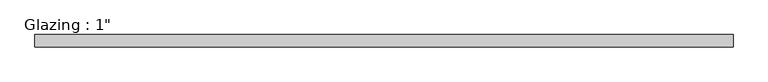
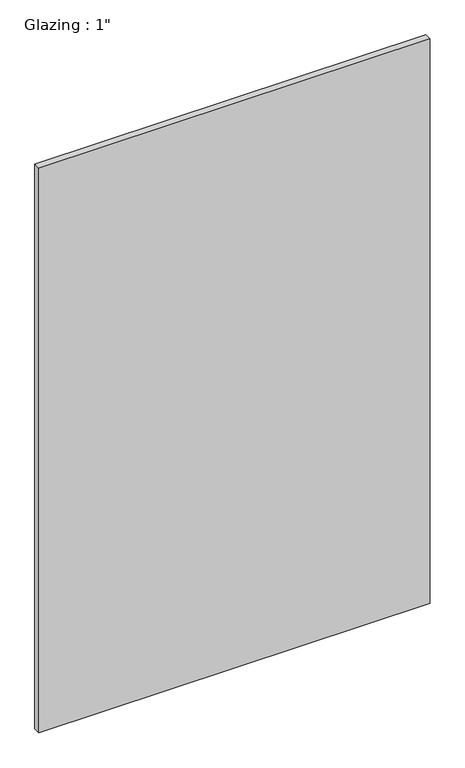
"""IFC4 building model written with IfcOpenShell, lengths in millimetres: plate geometry."""

from ifc_helpers import new_model, si_unit, origin, origin_with_axes, place, context, project, spatial, polyline, outline, extrude, source, transform, mapped, element, save


def plate_96a64b1e(model_context):
    return source(origin(), model_context, "Body", "SweptSolid", [
        extrude(outline(polyline([(713.8330765, 12.7), (713.8330765, -12.7), (-713.8330765, -12.7), (-713.8330765, 12.7), (713.8330765, 12.7)])), origin_with_axes(), (0.0, 0.0, 1.0), 2177.9425731),
    ])


if __name__ == "__main__":
    model = new_model("IFC4")
    model_context = context("Model", 3, world=origin())
    ifc_project = project(units=[si_unit("LENGTHUNIT", "METRE", prefix="MILLI")], contexts=[model_context])
    site = spatial("IfcSite", under=ifc_project)
    building = spatial("IfcBuilding", under=site)
    placement = place(None, origin())
    plate_shape = plate_96a64b1e(model_context)
    element("IfcPlate", 1, ObjectType="Glazing : 1\"", at=placement, inside=building, context=model_context, shape_type="MappedRepresentation", body=[
        mapped(plate_shape, transform((0.0, 0.0, 0.0), x_axis=(1.0, 0.0, 0.0), y_axis=(0.0, 1.0, 0.0), z_axis=(0.0, 0.0, 1.0))),
    ])
    save(model, "model.ifc")
